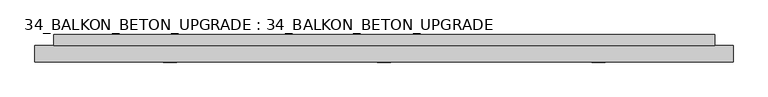
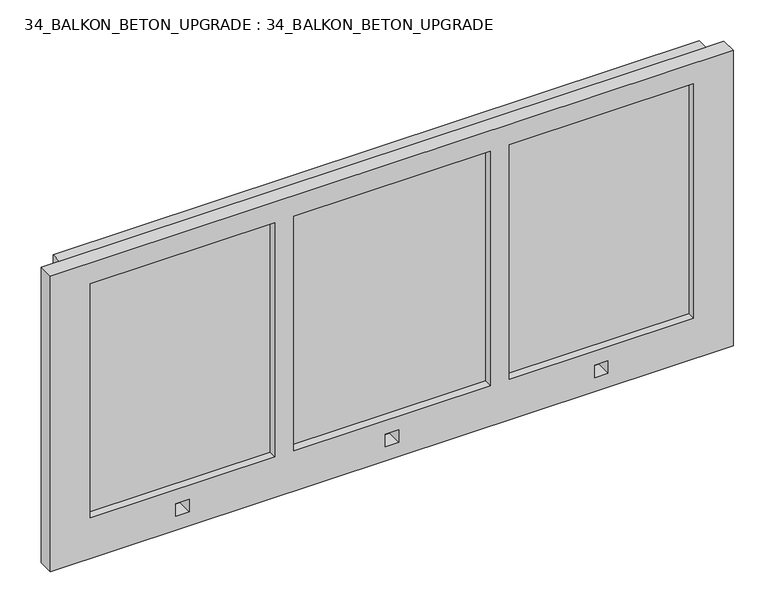
"""IFC4 building model written with IfcOpenShell, lengths in millimetres: proxy geometry, 34_BALKON_BETON_UPGRADE : 34_BALKON_BETON_UPGRADE."""

from ifc_helpers import new_model, si_unit, frame, origin, place, context, project, spatial, polyline, outline, extrude, faceted_brep, source, transform, mapped, element, save


def proxy_34_balkon_beton_upgrade_34_balkon_beton_upgrade_abe62828(model_context):
    return source(origin(), model_context, "Body", "SolidModel", [
        extrude(outline(polyline([(0.0, 171.0), (2400.0, 171.0), (2400.0, 131.0), (0.0, 131.0), (0.0, 171.0)])), frame((0.0, 0.0, -160.0), z_axis=(0.0, 0.0, 1.0), x_axis=(1.0, 0.0, 0.0)), (0.0, 0.0, 1.0), 50.1252074),
        extrude(outline(polyline([(0.0, 171.0), (2400.0, 171.0), (2400.0, 131.0), (0.0, 131.0), (0.0, 171.0)])), frame((0.0, 0.0, 949.8747926), z_axis=(0.0, 0.0, 1.0), x_axis=(1.0, 0.0, 0.0)), (0.0, 0.0, 1.0), 50.1252074),
        faceted_brep([(2467.016579, 71.0, 1000.0), (2467.016579, 131.0, 1000.0), (-67.983421, 131.0, 1000.0), (-67.983421, 71.0, 1000.0), (2467.016579, 71.0, -160.0), (-67.983421, 71.0, -160.0), (-67.983421, 131.0, -160.0), (2467.016579, 131.0, -160.0), (80.0, 71.0, 920.0866276), (764.7878361, 71.0, 920.0866276), (764.7878361, 71.0, 0.0), (80.0, 71.0, 0.0), (398.0, 71.0, -55.4898511), (447.0, 71.0, -55.4898511), (447.0, 71.0, -104.5186216), (398.0, 71.0, -104.5186216), (835.0, 71.0, 920.0866276), (1564.9346322, 71.0, 920.0866276), (1564.9346322, 71.0, 0.0), (835.0, 71.0, 0.0), (1635.0, 71.0, 920.0866276), (2319.772068, 71.0, 920.0866276), (2319.772068, 71.0, 0.0), (1635.0, 71.0, 0.0), (1175.5, 71.0, -55.4898511), (1224.5, 71.0, -55.4898511), (1224.5, 71.0, -104.5186216), (1175.5, 71.0, -104.5186216), (1953.0, 71.0, -55.4898511), (2002.0, 71.0, -55.4898511), (2002.0, 71.0, -104.5186216), (1953.0, 71.0, -104.5186216), (80.0, 101.0, 920.0866276), (764.7878361, 101.0, 920.0866276), (764.7878361, 101.0, 0.0), (80.0, 101.0, 0.0), (398.0, 130.0, -55.4898511), (447.0, 130.0, -55.4898511), (447.0, 130.0, -104.5186216), (398.0, 130.0, -104.5186216), (835.0, 101.0, 920.0866276), (1564.9346322, 101.0, 920.0866276), (1564.9346322, 101.0, 0.0), (835.0, 101.0, 0.0), (1635.0, 101.0, 920.0866276), (2319.772068, 101.0, 920.0866276), (2319.772068, 101.0, 0.0), (1635.0, 101.0, 0.0), (1175.5, 130.0, -55.4898511), (1224.5, 130.0, -55.4898511), (1224.5, 130.0, -104.5186216), (1175.5, 130.0, -104.5186216), (1953.0, 130.0, -55.4898511), (2002.0, 130.0, -55.4898511), (2002.0, 130.0, -104.5186216), (1953.0, 130.0, -104.5186216)], [[[0, 1, 2, 3]], [[4, 5, 6, 7]], [[1, 0, 4, 7]], [[2, 1, 7, 6]], [[3, 2, 6, 5]], [[0, 3, 5, 4], [8, 9, 10, 11], [12, 13, 14, 15], [16, 17, 18, 19], [20, 21, 22, 23], [24, 25, 26, 27], [28, 29, 30, 31]], [[32, 33, 9, 8]], [[34, 35, 11, 10]], [[33, 32, 35, 34]], [[35, 32, 8, 11]], [[33, 34, 10, 9]], [[36, 37, 13, 12]], [[38, 39, 15, 14]], [[37, 38, 14, 13]], [[37, 36, 39, 38]], [[39, 36, 12, 15]], [[40, 41, 17, 16]], [[42, 43, 19, 18]], [[41, 40, 43, 42]], [[43, 40, 16, 19]], [[41, 42, 18, 17]], [[44, 45, 21, 20]], [[46, 47, 23, 22]], [[45, 44, 47, 46]], [[47, 44, 20, 23]], [[45, 46, 22, 21]], [[48, 49, 25, 24]], [[50, 51, 27, 26]], [[51, 48, 24, 27]], [[49, 48, 51, 50]], [[49, 50, 26, 25]], [[52, 53, 29, 28]], [[54, 55, 31, 30]], [[55, 52, 28, 31]], [[53, 52, 55, 54]], [[53, 54, 30, 29]]]),
    ])


if __name__ == "__main__":
    model = new_model("IFC4")
    model_context = context("Model", 3, world=origin())
    ifc_project = project(units=[si_unit("LENGTHUNIT", "METRE", prefix="MILLI")], contexts=[model_context])
    site = spatial("IfcSite", under=ifc_project)
    building = spatial("IfcBuilding", under=site)
    placement = place(None, origin())
    proxy_34_balkon_beton_upgrade_34_balkon_beton_upgrade_shape = proxy_34_balkon_beton_upgrade_34_balkon_beton_upgrade_abe62828(model_context)
    element("IfcBuildingElementProxy", 1, Name="34_BALKON_BETON_UPGRADE : 34_BALKON_BETON_UPGRADE", ObjectType="34_BALKON_BETON_UPGRADE : 34_BALKON_BETON_UPGRADE", at=placement, inside=building, context=model_context, shape_type="MappedRepresentation", body=[
        mapped(proxy_34_balkon_beton_upgrade_34_balkon_beton_upgrade_shape, transform((0.0, 0.0, 0.0), x_axis=(1.0, 0.0, 0.0), y_axis=(0.0, 1.0, 0.0), z_axis=(0.0, 0.0, 1.0))),
    ])
    save(model, "model.ifc")
